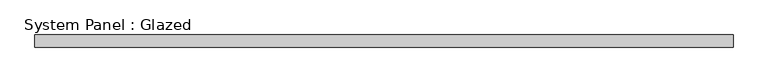
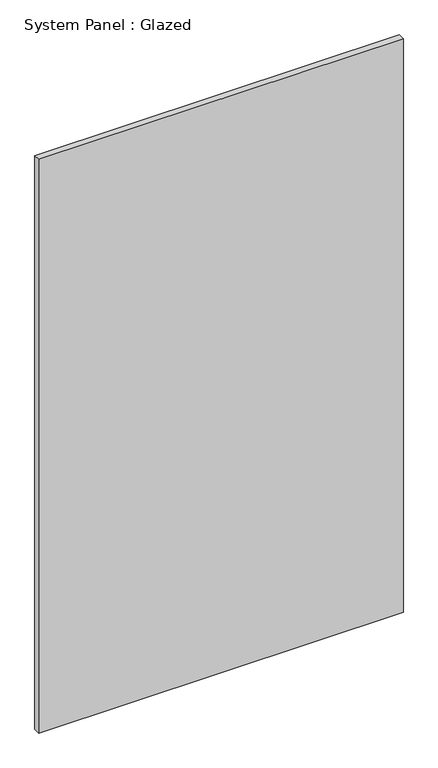
"""IFC4 building model written with IfcOpenShell, lengths in millimetres: plate geometry, System Panel : Glazed."""

from ifc_helpers import new_model, si_unit, origin, origin_with_axes, place, context, project, spatial, polyline, outline, extrude, source, transform, mapped, element, save


def system_panel_glazed_656f515c(model_context):
    return source(origin(), model_context, "Body", "SweptSolid", [
        extrude(outline(polyline([(699.3421053, 24.5), (-699.3421053, 24.5), (-699.3421053, 49.5), (699.3421053, 49.5), (699.3421053, 24.5)])), origin_with_axes(), (0.0, 0.0, 1.0), 2325.0),
    ])


if __name__ == "__main__":
    model = new_model("IFC4")
    model_context = context("Model", 3, world=origin())
    ifc_project = project(units=[si_unit("LENGTHUNIT", "METRE", prefix="MILLI")], contexts=[model_context])
    site = spatial("IfcSite", under=ifc_project)
    building = spatial("IfcBuilding", under=site)
    placement = place(None, origin())
    system_panel_glazed_shape = system_panel_glazed_656f515c(model_context)
    element("IfcPlate", 1, ObjectType="System Panel : Glazed", at=placement, inside=building, context=model_context, shape_type="MappedRepresentation", body=[
        mapped(system_panel_glazed_shape, transform((0.0, 0.0, 0.0), x_axis=(1.0, 0.0, 0.0), y_axis=(0.0, 1.0, 0.0), z_axis=(0.0, 0.0, 1.0))),
    ])
    save(model, "model.ifc")
